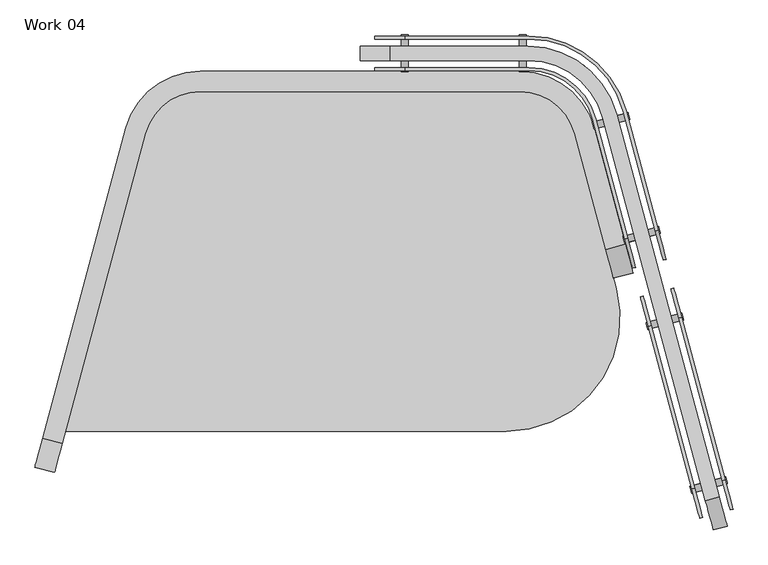
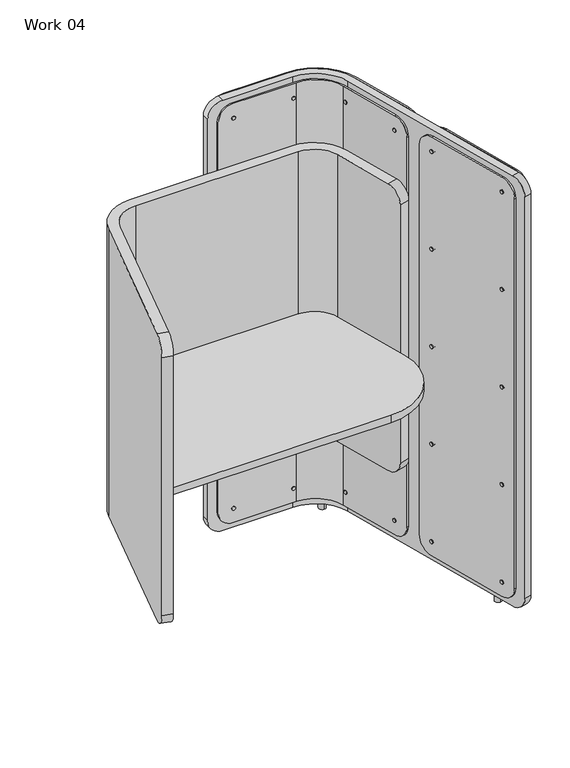
"""IFC4 building model written with IfcOpenShell, lengths in millimetres: furniture geometry, Work 04."""

from ifc_helpers import new_model, si_unit, point, frame, frame_2d, origin, origin_with_axes, place, context, project, spatial, polyline, circle_curve, trimmed, segment, composite_curve, outline, extrude, source, transform, mapped, element, save
from ifc_brep_helpers import plane_surface, cylinder_surface, revolved_surface, advanced_brep


def work_04_0aa1b830(model_context):
    return source(origin(), model_context, "Body", "SolidModel", [
        advanced_brep(
        [(885.3981602, -5.0, 1510.0), (1043.8099957, -126.5536766, 1510.0), (1097.461372, -326.7833389, 1510.0), (1102.2910012, -325.4892437, 1510.0), (1048.6396248, -125.2595814, 1510.0), (885.3981602, 0.0, 1510.0), (678.1051602, 0.0, 1510.0), (678.1051602, -5.0, 1510.0), (885.3981602, 0.0, 50.0), (1048.6396248, -125.2595814, 50.0), (1102.2910012, -325.4892437, 50.0), (1097.461372, -326.7833389, 50.0), (1043.8099957, -126.5536766, 50.0), (885.3981602, -5.0, 50.0), (678.1051602, -5.0, 50.0), (678.1051602, 0.0, 50.0), (627.3051602, 0.0, 100.8), (627.3051602, 0.0, 1459.2), (1115.4390086, -374.5582757, 1459.2), (1115.4390086, -374.5582757, 100.8), (1110.6093795, -375.8523709, 100.8), (1110.6093795, -375.8523709, 1459.2), (627.3051602, -5.0, 1459.2), (627.3051602, -5.0, 100.8)],
        [
            (0, 1, circle_curve(frame((885.3981602, -169.0, 1510.0), z_axis=(0.0, 0.0, -1.0), x_axis=(-1.0, 0.0, 0.0)), 164.0)),
            (1, 2),
            (2, 3),
            (3, 4),
            (4, 5, circle_curve(frame((885.3981602, -169.0, 1510.0), z_axis=(0.0, 0.0, 1.0), x_axis=(-1.0, 0.0, 0.0)), 169.0)),
            (5, 6),
            (6, 7),
            (7, 0),
            (8, 9, circle_curve(frame((885.3981602, -169.0, 50.0), z_axis=(0.0, 0.0, -1.0), x_axis=(-1.0, 0.0, 0.0)), 169.0)),
            (9, 10),
            (10, 11),
            (11, 12),
            (12, 13, circle_curve(frame((885.3981602, -169.0, 50.0), z_axis=(0.0, 0.0, 1.0), x_axis=(-1.0, 0.0, 0.0)), 164.0)),
            (13, 14),
            (14, 15),
            (15, 8),
            (5, 8),
            (15, 16, circle_curve(frame((678.1051602, 0.0, 100.8), z_axis=(0.0, 1.0, 0.0), x_axis=(-1.0, 0.0, 0.0)), 50.8)),
            (16, 17),
            (17, 6, circle_curve(frame((678.1051602, 0.0, 1459.2), z_axis=(0.0, 1.0, 0.0), x_axis=(-1.0, 0.0, 0.0)), 50.8)),
            (4, 9),
            (3, 18, circle_curve(frame((1102.2910012, -325.4892437, 1459.2), z_axis=(0.9659258262896977, 0.25881904510017184, 0.0), x_axis=(0.25881904510017184, -0.9659258262896977, 0.0)), 50.8)),
            (18, 19),
            (19, 10, circle_curve(frame((1102.2910012, -325.4892437, 100.8), z_axis=(0.9659258262896977, 0.25881904510017184, 0.0), x_axis=(0.25881904510017184, -0.9659258262896977, 0.0)), 50.8)),
            (1, 12),
            (11, 20, circle_curve(frame((1097.461372, -326.7833389, 100.8), z_axis=(-0.9659258262896977, -0.25881904510017184, 0.0), x_axis=(0.25881904510017184, -0.9659258262896977, 0.0)), 50.8)),
            (20, 21),
            (21, 2, circle_curve(frame((1097.461372, -326.7833389, 1459.2), z_axis=(-0.9659258262896977, -0.25881904510017184, 0.0), x_axis=(0.25881904510017184, -0.9659258262896977, 0.0)), 50.8)),
            (0, 13),
            (7, 22, circle_curve(frame((678.1051602, -5.0, 1459.2), z_axis=(0.0, -1.0, 0.0), x_axis=(-1.0, 0.0, 0.0)), 50.8)),
            (22, 23),
            (23, 14, circle_curve(frame((678.1051602, -5.0, 100.8), z_axis=(0.0, -1.0, 0.0), x_axis=(-1.0, 0.0, 0.0)), 50.8)),
            (23, 16),
            (22, 17),
            (19, 20),
            (18, 21),
        ],
        [
            plane_surface(frame((885.3981602, -5.0, 1510.0), z_axis=(0.0, 0.0, 1.0), x_axis=(1.0, 0.0, 0.0))),
            plane_surface(frame((885.3981602, -5.0, 50.0), z_axis=(0.0, 0.0, -1.0), x_axis=(-1.0, 0.0, 0.0))),
            plane_surface(frame((885.3981602, 0.0, 1510.0), z_axis=(0.0, 1.0, 0.0), x_axis=(0.0, 0.0, -1.0))),
            cylinder_surface(frame((885.3981602, -169.0, 50.0), z_axis=(0.0, 0.0, 1.0), x_axis=(-1.0, 0.0, 0.0)), 169.0),
            plane_surface(frame((1095.9240526, -301.7274684, 1510.0), z_axis=(0.9659258262890724, 0.2588190451025053, 0.0), x_axis=(0.0, 0.0, -1.0))),
            plane_surface(frame((1043.8099957, -126.5536766, 1510.0), z_axis=(-0.965925826289073, -0.2588190451025036, 0.0), x_axis=(0.0, 0.0, -1.0))),
            revolved_surface(polyline([(721.3981602, -169.0, 50.0), (721.3981602, -169.0, 1510.0)]), (885.3981602, -169.0, 50.0), (0.0, 0.0, -1.0)),
            plane_surface(frame((702.7051602, -5.0, 1510.0), z_axis=(0.0, -1.0, 0.0), x_axis=(0.0, 0.0, -1.0))),
            cylinder_surface(frame((678.1051602, 0.0, 100.8), z_axis=(0.0, -1.0, 0.0), x_axis=(-1.0, 0.0, 0.0)), 50.8),
            plane_surface(frame((627.3051602, -5.0, 1459.2), z_axis=(-1.0, 0.0, 0.0), x_axis=(0.0, 1.0, 0.0))),
            cylinder_surface(frame((678.1051602, 0.0, 1459.2), z_axis=(0.0, -1.0, 0.0), x_axis=(-1.0, 0.0, 0.0)), 50.8),
            cylinder_surface(frame((1102.2910012, -325.4892437, 100.8), z_axis=(-0.9659258262896977, -0.25881904510017184, 0.0), x_axis=(0.25881904510017184, -0.9659258262896977, 0.0)), 50.8),
            plane_surface(frame((1110.6093795, -375.8523709, 100.8), z_axis=(0.25881904510016834, -0.9659258262896986, 0.0), x_axis=(0.9659258262896986, 0.25881904510016834, 0.0))),
            cylinder_surface(frame((1102.2910012, -325.4892437, 1459.2), z_axis=(-0.9659258262896977, -0.25881904510017184, 0.0), x_axis=(0.25881904510017184, -0.9659258262896977, 0.0)), 50.8),
        ],
        [
            (0, [[1, 2, 3, 4, 5, 6, 7, 8]]),
            (1, [[9, 10, 11, 12, 13, 14, 15, 16]]),
            (2, [[17, -16, 18, 19, 20, -6]]),
            (3, [[-5, 21, -9, -17]]),
            (4, [[-21, -4, 22, 23, 24, -10]]),
            (5, [[25, -12, 26, 27, 28, -2]]),
            (6, [[-1, 29, -13, -25]]),
            (7, [[-29, -8, 30, 31, 32, -14]]),
            (8, [[-32, 33, -18, -15]]),
            (9, [[-31, 34, -19, -33]]),
            (10, [[-30, -7, -20, -34]]),
            (11, [[-26, -11, -24, 35]]),
            (12, [[-27, -35, -23, 36]]),
            (13, [[-28, -36, -22, -3]]),
        ],
    ),
        advanced_brep(
        [(885.3981602, -58.0, 1510.0), (992.6159269, -140.271086, 1510.0), (1046.2673032, -340.5007483, 1510.0), (1051.0969324, -339.2066531, 1510.0), (997.445556, -138.9769908, 1510.0), (885.3981602, -53.0, 1510.0), (678.1051602, -53.0, 1510.0), (678.1051602, -58.0, 1510.0), (885.3981602, -53.0, 50.0), (997.445556, -138.9769908, 50.0), (1051.0969324, -339.2066531, 50.0), (1046.2673032, -340.5007483, 50.0), (992.6159269, -140.271086, 50.0), (885.3981602, -58.0, 50.0), (678.1051602, -58.0, 50.0), (678.1051602, -53.0, 50.0), (627.3051602, -53.0, 100.8), (627.3051602, -53.0, 1459.2), (1064.2449399, -388.2756851, 1459.2), (1064.2449399, -388.2756851, 100.8), (1059.4153107, -389.5697803, 100.8), (1059.4153107, -389.5697803, 1459.2), (627.3051602, -58.0, 1459.2), (627.3051602, -58.0, 100.8)],
        [
            (0, 1, circle_curve(frame((885.3981602, -169.0, 1510.0), z_axis=(0.0, 0.0, -1.0), x_axis=(-1.0, 0.0, 0.0)), 111.0)),
            (1, 2),
            (2, 3),
            (3, 4),
            (4, 5, circle_curve(frame((885.3981602, -169.0, 1510.0), z_axis=(0.0, 0.0, 1.0), x_axis=(-1.0, 0.0, 0.0)), 116.0)),
            (5, 6),
            (6, 7),
            (7, 0),
            (8, 9, circle_curve(frame((885.3981602, -169.0, 50.0), z_axis=(0.0, 0.0, -1.0), x_axis=(-1.0, 0.0, 0.0)), 116.0)),
            (9, 10),
            (10, 11),
            (11, 12),
            (12, 13, circle_curve(frame((885.3981602, -169.0, 50.0), z_axis=(0.0, 0.0, 1.0), x_axis=(-1.0, 0.0, 0.0)), 111.0)),
            (13, 14),
            (14, 15),
            (15, 8),
            (5, 8),
            (15, 16, circle_curve(frame((678.1051602, -53.0, 100.8), z_axis=(0.0, 1.0, 0.0), x_axis=(-1.0, 0.0, 0.0)), 50.8)),
            (16, 17),
            (17, 6, circle_curve(frame((678.1051602, -53.0, 1459.2), z_axis=(0.0, 1.0, 0.0), x_axis=(-1.0, 0.0, 0.0)), 50.8)),
            (4, 9),
            (3, 18, circle_curve(frame((1051.0969324, -339.2066531, 1459.2), z_axis=(0.9659258262896977, 0.25881904510017184, 0.0), x_axis=(0.25881904510017184, -0.9659258262896977, 0.0)), 50.8)),
            (18, 19),
            (19, 10, circle_curve(frame((1051.0969324, -339.2066531, 100.8), z_axis=(0.9659258262896977, 0.25881904510017184, 0.0), x_axis=(0.25881904510017184, -0.9659258262896977, 0.0)), 50.8)),
            (1, 12),
            (11, 20, circle_curve(frame((1046.2673032, -340.5007483, 100.8), z_axis=(-0.9659258262896977, -0.25881904510017184, 0.0), x_axis=(0.25881904510017184, -0.9659258262896977, 0.0)), 50.8)),
            (20, 21),
            (21, 2, circle_curve(frame((1046.2673032, -340.5007483, 1459.2), z_axis=(-0.9659258262896977, -0.25881904510017184, 0.0), x_axis=(0.25881904510017184, -0.9659258262896977, 0.0)), 50.8)),
            (0, 13),
            (7, 22, circle_curve(frame((678.1051602, -58.0, 1459.2), z_axis=(0.0, -1.0, 0.0), x_axis=(-1.0, 0.0, 0.0)), 50.8)),
            (22, 23),
            (23, 14, circle_curve(frame((678.1051602, -58.0, 100.8), z_axis=(0.0, -1.0, 0.0), x_axis=(-1.0, 0.0, 0.0)), 50.8)),
            (23, 16),
            (22, 17),
            (19, 20),
            (18, 21),
        ],
        [
            plane_surface(frame((885.3981602, -5.0, 1510.0), z_axis=(0.0, 0.0, 1.0), x_axis=(1.0, 0.0, 0.0))),
            plane_surface(frame((885.3981602, -5.0, 50.0), z_axis=(0.0, 0.0, -1.0), x_axis=(-1.0, 0.0, 0.0))),
            plane_surface(frame((885.3981602, -53.0, 1510.0), z_axis=(0.0, 1.0, 0.0), x_axis=(0.0, 0.0, -1.0))),
            cylinder_surface(frame((885.3981602, -169.0, 0.0), z_axis=(0.0, 0.0, 1.0), x_axis=(-1.0, 0.0, 0.0)), 116.0),
            plane_surface(frame((1044.7299839, -315.4448778, 1510.0), z_axis=(0.965925826289071, 0.25881904510251086, 0.0), x_axis=(0.0, 0.0, -1.0))),
            plane_surface(frame((992.6159269, -140.271086, 1510.0), z_axis=(-0.9659258262890708, -0.2588190451025118, 0.0), x_axis=(0.0, 0.0, -1.0))),
            revolved_surface(polyline([(774.3981602, -169.0, 50.0), (774.3981602, -169.0, 1510.0)]), (885.3981602, -169.0, 0.0), (0.0, 0.0, -1.0)),
            plane_surface(frame((702.7051602, -58.0, 1510.0), z_axis=(0.0, -1.0, 0.0), x_axis=(0.0, 0.0, -1.0))),
            cylinder_surface(frame((678.1051602, -53.0, 100.8), z_axis=(0.0, -1.0, 0.0), x_axis=(-1.0, 0.0, 0.0)), 50.8),
            plane_surface(frame((627.3051602, -58.0, 1459.2), z_axis=(-1.0, 0.0, 0.0), x_axis=(0.0, 1.0, 0.0))),
            cylinder_surface(frame((678.1051602, -53.0, 1459.2), z_axis=(0.0, -1.0, 0.0), x_axis=(-1.0, 0.0, 0.0)), 50.8),
            cylinder_surface(frame((1051.0969324, -339.2066531, 100.8), z_axis=(-0.9659258262896977, -0.25881904510017184, 0.0), x_axis=(0.25881904510017184, -0.9659258262896977, 0.0)), 50.8),
            plane_surface(frame((1059.4153107, -389.5697803, 100.8), z_axis=(0.25881904510017206, -0.9659258262896977, 0.0), x_axis=(0.9659258262896977, 0.25881904510017206, 0.0))),
            cylinder_surface(frame((1051.0969324, -339.2066531, 1459.2), z_axis=(-0.9659258262896977, -0.25881904510017184, 0.0), x_axis=(0.25881904510017184, -0.9659258262896977, 0.0)), 50.8),
        ],
        [
            (0, [[1, 2, 3, 4, 5, 6, 7, 8]]),
            (1, [[9, 10, 11, 12, 13, 14, 15, 16]]),
            (2, [[17, -16, 18, 19, 20, -6]]),
            (3, [[-5, 21, -9, -17]]),
            (4, [[-4, 22, 23, 24, -10, -21]]),
            (5, [[-2, 25, -12, 26, 27, 28]]),
            (6, [[-1, 29, -13, -25]]),
            (7, [[-29, -8, 30, 31, 32, -14]]),
            (8, [[-32, 33, -18, -15]]),
            (9, [[-31, 34, -19, -33]]),
            (10, [[-30, -7, -20, -34]]),
            (11, [[-26, -11, -24, 35]]),
            (12, [[-27, -35, -23, 36]]),
            (13, [[-28, -36, -22, -3]]),
        ],
    ),
        advanced_brep(
        [(883.8635062, -41.0, 1520.0), (1009.4338636, -137.3535241, 1520.0), (1181.5530181, -779.7109536, 1520.0), (1204.7352379, -773.4992965, 1520.0), (1032.6160835, -131.1418671, 1520.0), (883.8635062, -17.0, 1520.0), (653.1051602, -17.0, 1520.0), (653.1051602, -41.0, 1520.0), (883.8635062, -17.0, 20.0), (1032.6160835, -131.1418671, 20.0), (1204.7352379, -773.4992965, 20.0), (1181.5530181, -779.7109536, 20.0), (1009.4338636, -137.3535241, 20.0), (883.8635062, -41.0, 20.0), (653.1051602, -41.0, 20.0), (653.1051602, -17.0, 20.0), (602.3051602, -17.0, 70.8), (602.3051602, -17.0, 510.0), (627.3051602, -17.0, 535.0), (627.3051602, -17.0, 608.98), (602.3051602, -17.0, 633.98), (602.3051602, -17.0, 1469.2), (1217.8832454, -822.5683285, 1469.2), (1217.8832454, -822.5683285, 70.8), (1194.7010256, -828.7799856, 70.8), (1194.7010256, -828.7799856, 1469.2), (602.3051602, -41.0, 1469.2), (602.3051602, -41.0, 633.98), (627.3051602, -41.0, 608.98), (627.3051602, -41.0, 535.0), (602.3051602, -41.0, 510.0), (602.3051602, -41.0, 70.8)],
        [
            (0, 1, circle_curve(frame((883.8635062, -171.0, 1520.0), z_axis=(0.0, 0.0, -1.0), x_axis=(-1.0, 0.0, 0.0)), 130.0)),
            (1, 2),
            (2, 3),
            (3, 4),
            (4, 5, circle_curve(frame((883.8635062, -171.0, 1520.0), z_axis=(0.0, 0.0, 1.0), x_axis=(-1.0, 0.0, 0.0)), 154.0)),
            (5, 6),
            (6, 7),
            (7, 0),
            (8, 9, circle_curve(frame((883.8635062, -171.0, 20.0), z_axis=(0.0, 0.0, -1.0), x_axis=(-1.0, 0.0, 0.0)), 154.0)),
            (9, 10),
            (10, 11),
            (11, 12),
            (12, 13, circle_curve(frame((883.8635062, -171.0, 20.0), z_axis=(0.0, 0.0, 1.0), x_axis=(-1.0, 0.0, 0.0)), 130.0)),
            (13, 14),
            (14, 15),
            (15, 8),
            (5, 8),
            (15, 16, circle_curve(frame((653.1051602, -17.0, 70.8), z_axis=(0.0, 1.0, 0.0), x_axis=(-1.0, 0.0, 0.0)), 50.8)),
            (16, 17),
            (17, 18),
            (18, 19),
            (19, 20),
            (20, 21),
            (21, 6, circle_curve(frame((653.1051602, -17.0, 1469.2), z_axis=(0.0, 1.0, 0.0), x_axis=(-1.0, 0.0, 0.0)), 50.8)),
            (4, 9),
            (3, 22, circle_curve(frame((1204.7352379, -773.4992965, 1469.2), z_axis=(0.9659258262896977, 0.25881904510017184, 0.0), x_axis=(0.25881904510017184, -0.9659258262896977, 0.0)), 50.8)),
            (22, 23),
            (23, 10, circle_curve(frame((1204.7352379, -773.4992965, 70.8), z_axis=(0.9659258262896977, 0.25881904510017184, 0.0), x_axis=(0.25881904510017184, -0.9659258262896977, 0.0)), 50.8)),
            (1, 12),
            (11, 24, circle_curve(frame((1181.5530181, -779.7109536, 70.8), z_axis=(-0.9659258262896977, -0.25881904510017184, 0.0), x_axis=(0.25881904510017184, -0.9659258262896977, 0.0)), 50.8)),
            (24, 25),
            (25, 2, circle_curve(frame((1181.5530181, -779.7109536, 1469.2), z_axis=(-0.9659258262896977, -0.25881904510017184, 0.0), x_axis=(0.25881904510017184, -0.9659258262896977, 0.0)), 50.8)),
            (0, 13),
            (7, 26, circle_curve(frame((653.1051602, -41.0, 1469.2), z_axis=(0.0, -1.0, 0.0), x_axis=(-1.0, 0.0, 0.0)), 50.8)),
            (26, 27),
            (27, 28),
            (28, 29),
            (29, 30),
            (30, 31),
            (31, 14, circle_curve(frame((653.1051602, -41.0, 70.8), z_axis=(0.0, -1.0, 0.0), x_axis=(-1.0, 0.0, 0.0)), 50.8)),
            (31, 16),
            (30, 17),
            (29, 18),
            (28, 19),
            (27, 20),
            (26, 21),
            (23, 24),
            (22, 25),
        ],
        [
            plane_surface(frame((883.8635062, -41.0, 1520.0), z_axis=(0.0, 0.0, 1.0), x_axis=(1.0, 0.0, 0.0))),
            plane_surface(frame((883.8635062, -41.0, 20.0), z_axis=(0.0, 0.0, -1.0), x_axis=(-1.0, 0.0, 0.0))),
            plane_surface(frame((883.8635062, -17.0, 1520.0), z_axis=(0.0, 1.0, 0.0), x_axis=(0.0, 0.0, -1.0))),
            cylinder_surface(frame((883.8635062, -171.0, 20.0), z_axis=(0.0, 0.0, 1.0), x_axis=(-1.0, 0.0, 0.0)), 154.0),
            plane_surface(frame((1198.3682894, -749.7375212, 1520.0), z_axis=(0.9659258262890715, 0.2588190451025091, 0.0), x_axis=(0.0, 0.0, -1.0))),
            plane_surface(frame((1009.4338636, -137.3535241, 1520.0), z_axis=(-0.9659258262890698, -0.2588190451025155, 0.0), x_axis=(0.0, 0.0, -1.0))),
            revolved_surface(polyline([(753.8635062, -171.0, 20.0), (753.8635062, -171.0, 1520.0)]), (883.8635062, -171.0, 20.0), (0.0, 0.0, -1.0)),
            plane_surface(frame((677.7051602, -41.0, 1520.0), z_axis=(0.0, -1.0, 0.0), x_axis=(0.0, 0.0, -1.0))),
            cylinder_surface(frame((653.1051602, -17.0, 70.8), z_axis=(0.0, -1.0, 0.0), x_axis=(-1.0, 0.0, 0.0)), 50.8),
            plane_surface(frame((602.3051602, -41.0, 510.0), z_axis=(-1.0, 0.0, 0.0), x_axis=(0.0, 1.0, 0.0))),
            plane_surface(frame((627.3051602, -41.0, 535.0), z_axis=(-0.7071067811865485, 0.0, 0.7071067811865466), x_axis=(0.0, 1.0, 0.0))),
            plane_surface(frame((627.3051602, -41.0, 608.98), z_axis=(-1.0, 0.0, 0.0), x_axis=(0.0, 1.0, 0.0))),
            plane_surface(frame((602.3051602, -41.0, 633.98), z_axis=(-0.7071067811865456, 0.0, -0.7071067811865495), x_axis=(0.0, 1.0, 0.0))),
            plane_surface(frame((602.3051602, -41.0, 1469.2), z_axis=(-1.0, 0.0, 0.0), x_axis=(0.0, 1.0, 0.0))),
            cylinder_surface(frame((653.1051602, -17.0, 1469.2), z_axis=(0.0, -1.0, 0.0), x_axis=(-1.0, 0.0, 0.0)), 50.8),
            cylinder_surface(frame((1204.7352379, -773.4992965, 70.8), z_axis=(-0.9659258262896977, -0.25881904510017184, 0.0), x_axis=(0.25881904510017184, -0.9659258262896977, 0.0)), 50.8),
            plane_surface(frame((1194.7010256, -828.7799856, 70.8), z_axis=(0.25881904510016945, -0.9659258262896984, 0.0), x_axis=(0.9659258262896984, 0.25881904510016945, 0.0))),
            cylinder_surface(frame((1204.7352379, -773.4992965, 1469.2), z_axis=(-0.9659258262896977, -0.25881904510017184, 0.0), x_axis=(0.25881904510017184, -0.9659258262896977, 0.0)), 50.8),
        ],
        [
            (0, [[1, 2, 3, 4, 5, 6, 7, 8]]),
            (1, [[9, 10, 11, 12, 13, 14, 15, 16]]),
            (2, [[17, -16, 18, 19, 20, 21, 22, 23, 24, -6]]),
            (3, [[-5, 25, -9, -17]]),
            (4, [[-4, 26, 27, 28, -10, -25]]),
            (5, [[-2, 29, -12, 30, 31, 32]]),
            (6, [[-1, 33, -13, -29]]),
            (7, [[-33, -8, 34, 35, 36, 37, 38, 39, 40, -14]]),
            (8, [[-40, 41, -18, -15]]),
            (9, [[-39, 42, -19, -41]]),
            (10, [[-38, 43, -20, -42]]),
            (11, [[-37, 44, -21, -43]]),
            (12, [[-36, 45, -22, -44]]),
            (13, [[-35, 46, -23, -45]]),
            (14, [[-34, -7, -24, -46]]),
            (15, [[-30, -11, -28, 47]]),
            (16, [[-31, -47, -27, 48]]),
            (17, [[-32, -48, -26, -3]]),
        ],
    ),
        extrude(outline(composite_curve([segment(trimmed(circle_curve(frame_2d((0.0, -6.0)), 6.0), [point((0.0, -12.0))], [point((0.0, 0.0))], False, "CARTESIAN"), True, "CONTINUOUS"), segment(trimmed(circle_curve(frame_2d((0.0, -6.0)), 6.0), [point((0.0, 0.0))], [point((0.0, -12.0))], False, "CARTESIAN"), True, "CONTINUOUS")], self_intersect=False)), frame((1158.4899208, -767.0486654, 1460.0), z_axis=(0.9659258262896977, 0.25881904510017184, 0.0), x_axis=(0.0, 0.0, 1.0)), (0.0, 0.0, 1.0), 62.0),
        extrude(outline(composite_curve([segment(trimmed(circle_curve(frame_2d((0.0, -290.259)), 6.0), [point((0.0, -296.259))], [point((0.0, -284.2589999))], False, "CARTESIAN"), True, "CONTINUOUS"), segment(trimmed(circle_curve(frame_2d((0.0, -290.259)), 6.0), [point((0.0, -284.2589999))], [point((0.0, -296.259))], False, "CARTESIAN"), True, "CONTINUOUS")], self_intersect=False)), frame((1158.4899208, -767.0486654, 1460.0), z_axis=(0.9659258262896977, 0.25881904510017184, 0.0), x_axis=(0.0, 0.0, 1.0)), (0.0, 0.0, 1.0), 62.0),
        extrude(outline(composite_curve([segment(trimmed(circle_curve(frame_2d((-340.0, -6.0)), 6.0), [point((-340.0, -12.0))], [point((-340.0, 0.0))], False, "CARTESIAN"), True, "CONTINUOUS"), segment(trimmed(circle_curve(frame_2d((-340.0, -6.0)), 6.0), [point((-340.0, 0.0))], [point((-340.0, -12.0))], False, "CARTESIAN"), True, "CONTINUOUS")], self_intersect=False)), frame((1158.4899208, -767.0486654, 1460.0), z_axis=(0.9659258262896977, 0.25881904510017184, 0.0), x_axis=(0.0, 0.0, 1.0)), (0.0, 0.0, 1.0), 62.0),
        extrude(outline(composite_curve([segment(trimmed(circle_curve(frame_2d((-340.0, -290.259)), 6.0), [point((-340.0, -296.259))], [point((-340.0, -284.2589999))], False, "CARTESIAN"), True, "CONTINUOUS"), segment(trimmed(circle_curve(frame_2d((-340.0, -290.259)), 6.0), [point((-340.0, -284.2589999))], [point((-340.0, -296.259))], False, "CARTESIAN"), True, "CONTINUOUS")], self_intersect=False)), frame((1158.4899208, -767.0486654, 1460.0), z_axis=(0.9659258262896977, 0.25881904510017184, 0.0), x_axis=(0.0, 0.0, 1.0)), (0.0, 0.0, 1.0), 62.0),
        extrude(outline(composite_curve([segment(trimmed(circle_curve(frame_2d((-680.0, -6.0)), 6.0), [point((-680.0, -12.0))], [point((-680.0, 0.0))], False, "CARTESIAN"), True, "CONTINUOUS"), segment(trimmed(circle_curve(frame_2d((-680.0, -6.0)), 6.0), [point((-680.0, 0.0))], [point((-680.0, -12.0))], False, "CARTESIAN"), True, "CONTINUOUS")], self_intersect=False)), frame((1158.4899208, -767.0486654, 1460.0), z_axis=(0.9659258262896977, 0.25881904510017184, 0.0), x_axis=(0.0, 0.0, 1.0)), (0.0, 0.0, 1.0), 62.0),
        extrude(outline(composite_curve([segment(trimmed(circle_curve(frame_2d((-680.0, -290.259)), 6.0), [point((-680.0, -296.259))], [point((-680.0, -284.2589999))], False, "CARTESIAN"), True, "CONTINUOUS"), segment(trimmed(circle_curve(frame_2d((-680.0, -290.259)), 6.0), [point((-680.0, -284.2589999))], [point((-680.0, -296.259))], False, "CARTESIAN"), True, "CONTINUOUS")], self_intersect=False)), frame((1158.4899208, -767.0486654, 1460.0), z_axis=(0.9659258262896977, 0.25881904510017184, 0.0), x_axis=(0.0, 0.0, 1.0)), (0.0, 0.0, 1.0), 62.0),
        extrude(outline(composite_curve([segment(trimmed(circle_curve(frame_2d((-1020.0, -6.0)), 6.0), [point((-1020.0, -12.0))], [point((-1020.0, 0.0))], False, "CARTESIAN"), True, "CONTINUOUS"), segment(trimmed(circle_curve(frame_2d((-1020.0, -6.0)), 6.0), [point((-1020.0, 0.0))], [point((-1020.0, -12.0))], False, "CARTESIAN"), True, "CONTINUOUS")], self_intersect=False)), frame((1158.4899208, -767.0486654, 1460.0), z_axis=(0.9659258262896977, 0.25881904510017184, 0.0), x_axis=(0.0, 0.0, 1.0)), (0.0, 0.0, 1.0), 62.0),
        extrude(outline(composite_curve([segment(trimmed(circle_curve(frame_2d((-1020.0, -290.259)), 6.0), [point((-1020.0, -296.259))], [point((-1020.0, -284.2589999))], False, "CARTESIAN"), True, "CONTINUOUS"), segment(trimmed(circle_curve(frame_2d((-1020.0, -290.259)), 6.0), [point((-1020.0, -284.2589999))], [point((-1020.0, -296.259))], False, "CARTESIAN"), True, "CONTINUOUS")], self_intersect=False)), frame((1158.4899208, -767.0486654, 1460.0), z_axis=(0.9659258262896977, 0.25881904510017184, 0.0), x_axis=(0.0, 0.0, 1.0)), (0.0, 0.0, 1.0), 62.0),
        extrude(outline(composite_curve([segment(trimmed(circle_curve(frame_2d((-1360.0, -6.0)), 6.0), [point((-1360.0, -12.0))], [point((-1360.0, 0.0))], False, "CARTESIAN"), True, "CONTINUOUS"), segment(trimmed(circle_curve(frame_2d((-1360.0, -6.0)), 6.0), [point((-1360.0, 0.0))], [point((-1360.0, -12.0))], False, "CARTESIAN"), True, "CONTINUOUS")], self_intersect=False)), frame((1158.4899208, -767.0486654, 1460.0), z_axis=(0.9659258262896977, 0.25881904510017184, 0.0), x_axis=(0.0, 0.0, 1.0)), (0.0, 0.0, 1.0), 62.0),
        extrude(outline(composite_curve([segment(trimmed(circle_curve(frame_2d((-1360.0, -290.259)), 6.0), [point((-1360.0, -296.259))], [point((-1360.0, -284.2589999))], False, "CARTESIAN"), True, "CONTINUOUS"), segment(trimmed(circle_curve(frame_2d((-1360.0, -290.259)), 6.0), [point((-1360.0, -284.2589999))], [point((-1360.0, -296.259))], False, "CARTESIAN"), True, "CONTINUOUS")], self_intersect=False)), frame((1158.4899208, -767.0486654, 1460.0), z_axis=(0.9659258262896977, 0.25881904510017184, 0.0), x_axis=(0.0, 0.0, 1.0)), (0.0, 0.0, 1.0), 62.0),
        extrude(outline(composite_curve([segment(trimmed(circle_curve(frame_2d((1175.1545514, -709.7630579)), 11.4859648), [point((1175.1545514, -698.2770931))], [point((1175.1545514, -721.2490226))], False, "CARTESIAN"), True, "CONTINUOUS"), segment(trimmed(circle_curve(frame_2d((1175.1545514, -709.7630579)), 11.4859648), [point((1175.1545514, -721.2490226))], [point((1175.1545514, -698.2770931))], False, "CARTESIAN"), True, "CONTINUOUS")], self_intersect=False)), origin_with_axes(), (0.0, 0.0, 1.0), 20.0),
        extrude(outline(composite_curve([segment(trimmed(circle_curve(frame_2d((970.6247603, -57.9305324)), 11.5), [point((970.6247603, -46.4305324))], [point((970.6247603, -69.4305324))], False, "CARTESIAN"), True, "CONTINUOUS"), segment(trimmed(circle_curve(frame_2d((970.6247603, -57.9305324)), 11.5), [point((970.6247603, -69.4305324))], [point((970.6247603, -46.4305324))], False, "CARTESIAN"), True, "CONTINUOUS")], self_intersect=False)), origin_with_axes(), (0.0, 0.0, 1.0), 20.0),
        extrude(outline(composite_curve([segment(polyline([(-50.8, -50.8), (-50.8, 231.8589999)]), True, "CONTINUOUS"), segment(trimmed(circle_curve(frame_2d((0.0, 231.8589999)), 50.8), [point((-50.8, 231.8589999))], [point((0.0, 282.659))], False, "CARTESIAN"), True, "CONTINUOUS"), segment(polyline([(0.0, 282.659), (1358.4, 282.659)]), True, "CONTINUOUS"), segment(trimmed(circle_curve(frame_2d((1358.4, 231.8589999)), 50.8), [point((1358.4, 282.659))], [point((1409.2, 231.8589999))], False, "CARTESIAN"), True, "CONTINUOUS"), segment(polyline([(1409.2, 231.8589999), (1409.2, -50.8)]), True, "CONTINUOUS"), segment(trimmed(circle_curve(frame_2d((1358.4, -50.8)), 50.8), [point((1409.2, -50.8))], [point((1358.4, -101.6000001))], False, "CARTESIAN"), True, "CONTINUOUS"), segment(polyline([(1358.4, -101.6000001), (0.0, -101.6000001)]), True, "CONTINUOUS"), segment(trimmed(circle_curve(frame_2d((0.0, -50.8)), 50.8), [point((0.0, -101.6000001))], [point((-50.8, -50.8))], False, "CARTESIAN"), True, "CONTINUOUS")], self_intersect=False)), frame((1145.5137954, -710.8936997, 1459.2), z_axis=(0.9659258262896963, 0.25881904510017745, 0.0), x_axis=(0.0, 0.0, -1.0)), (0.0, 0.0, 1.0), 5.0),
        extrude(outline(composite_curve([segment(polyline([(-50.8, -50.8), (-50.8, 231.8589999)]), True, "CONTINUOUS"), segment(trimmed(circle_curve(frame_2d((0.0, 231.8589999)), 50.8), [point((-50.8, 231.8589999))], [point((0.0, 282.659))], False, "CARTESIAN"), True, "CONTINUOUS"), segment(polyline([(0.0, 282.659), (1358.4, 282.659)]), True, "CONTINUOUS"), segment(trimmed(circle_curve(frame_2d((1358.4, 231.8589999)), 50.8), [point((1358.4, 282.659))], [point((1409.2, 231.8589999))], False, "CARTESIAN"), True, "CONTINUOUS"), segment(polyline([(1409.2, 231.8589999), (1409.2, -50.8)]), True, "CONTINUOUS"), segment(trimmed(circle_curve(frame_2d((1358.4, -50.8)), 50.8), [point((1409.2, -50.8))], [point((1358.4, -101.6000001))], False, "CARTESIAN"), True, "CONTINUOUS"), segment(polyline([(1358.4, -101.6000001), (0.0, -101.6000001)]), True, "CONTINUOUS"), segment(trimmed(circle_curve(frame_2d((0.0, -50.8)), 50.8), [point((0.0, -101.6000001))], [point((-50.8, -50.8))], False, "CARTESIAN"), True, "CONTINUOUS")], self_intersect=False)), frame((1196.7078642, -697.1762903, 1459.2), z_axis=(0.9659258262896963, 0.25881904510017745, 0.0), x_axis=(0.0, 0.0, -1.0)), (0.0, 0.0, 1.0), 5.0),
        extrude(outline(composite_curve([segment(trimmed(circle_curve(frame_2d((0.0, -6.0)), 6.0), [point((0.0, -12.0))], [point((0.0, 0.0))], False, "CARTESIAN"), True, "CONTINUOUS"), segment(trimmed(circle_curve(frame_2d((0.0, -6.0)), 6.0), [point((0.0, 0.0))], [point((0.0, -12.0))], False, "CARTESIAN"), True, "CONTINUOUS")], self_intersect=False)), frame((869.3981602, -60.0, 1460.0), z_axis=(2.432859469436721e-12, 1.0, 0.0), x_axis=(0.0, 0.0, -1.0)), (0.0, 0.0, 1.0), 62.0),
        extrude(outline(composite_curve([segment(trimmed(circle_curve(frame_2d((0.0, 192.093)), 6.0), [point((0.0, 186.093))], [point((0.0, 198.093))], False, "CARTESIAN"), True, "CONTINUOUS"), segment(trimmed(circle_curve(frame_2d((0.0, 192.093)), 6.0), [point((0.0, 198.093))], [point((0.0, 186.093))], False, "CARTESIAN"), True, "CONTINUOUS")], self_intersect=False)), frame((869.3981602, -60.0, 1460.0), z_axis=(2.432859469436721e-12, 1.0, 0.0), x_axis=(0.0, 0.0, -1.0)), (0.0, 0.0, 1.0), 62.0),
        extrude(outline(composite_curve([segment(trimmed(circle_curve(frame_2d((340.0, -6.0)), 6.0), [point((340.0, -12.0))], [point((340.0, 0.0))], False, "CARTESIAN"), True, "CONTINUOUS"), segment(trimmed(circle_curve(frame_2d((340.0, -6.0)), 6.0), [point((340.0, 0.0))], [point((340.0, -12.0))], False, "CARTESIAN"), True, "CONTINUOUS")], self_intersect=False)), frame((869.3981602, -60.0, 1460.0), z_axis=(2.432859469436721e-12, 1.0, 0.0), x_axis=(0.0, 0.0, -1.0)), (0.0, 0.0, 1.0), 62.0),
        extrude(outline(composite_curve([segment(trimmed(circle_curve(frame_2d((340.0, 192.093)), 6.0), [point((340.0, 186.093))], [point((340.0, 198.093))], False, "CARTESIAN"), True, "CONTINUOUS"), segment(trimmed(circle_curve(frame_2d((340.0, 192.093)), 6.0), [point((340.0, 198.093))], [point((340.0, 186.093))], False, "CARTESIAN"), True, "CONTINUOUS")], self_intersect=False)), frame((869.3981602, -60.0, 1460.0), z_axis=(2.432859469436721e-12, 1.0, 0.0), x_axis=(0.0, 0.0, -1.0)), (0.0, 0.0, 1.0), 62.0),
        extrude(outline(composite_curve([segment(trimmed(circle_curve(frame_2d((680.0, -6.0)), 6.0), [point((680.0, -12.0))], [point((680.0, 0.0))], False, "CARTESIAN"), True, "CONTINUOUS"), segment(trimmed(circle_curve(frame_2d((680.0, -6.0)), 6.0), [point((680.0, 0.0))], [point((680.0, -12.0))], False, "CARTESIAN"), True, "CONTINUOUS")], self_intersect=False)), frame((869.3981602, -60.0, 1460.0), z_axis=(2.432859469436721e-12, 1.0, 0.0), x_axis=(0.0, 0.0, -1.0)), (0.0, 0.0, 1.0), 62.0),
        extrude(outline(composite_curve([segment(trimmed(circle_curve(frame_2d((680.0, 192.093)), 6.0), [point((680.0, 186.093))], [point((680.0, 198.093))], False, "CARTESIAN"), True, "CONTINUOUS"), segment(trimmed(circle_curve(frame_2d((680.0, 192.093)), 6.0), [point((680.0, 198.093))], [point((680.0, 186.093))], False, "CARTESIAN"), True, "CONTINUOUS")], self_intersect=False)), frame((869.3981602, -60.0, 1460.0), z_axis=(2.432859469436721e-12, 1.0, 0.0), x_axis=(0.0, 0.0, -1.0)), (0.0, 0.0, 1.0), 62.0),
        extrude(outline(composite_curve([segment(trimmed(circle_curve(frame_2d((1020.0, -6.0)), 6.0), [point((1020.0, -12.0))], [point((1020.0, 0.0))], False, "CARTESIAN"), True, "CONTINUOUS"), segment(trimmed(circle_curve(frame_2d((1020.0, -6.0)), 6.0), [point((1020.0, 0.0))], [point((1020.0, -12.0))], False, "CARTESIAN"), True, "CONTINUOUS")], self_intersect=False)), frame((869.3981602, -60.0, 1460.0), z_axis=(2.432859469436721e-12, 1.0, 0.0), x_axis=(0.0, 0.0, -1.0)), (0.0, 0.0, 1.0), 62.0),
        extrude(outline(composite_curve([segment(trimmed(circle_curve(frame_2d((1020.0, 192.093)), 6.0), [point((1020.0, 186.093))], [point((1020.0, 198.093))], False, "CARTESIAN"), True, "CONTINUOUS"), segment(trimmed(circle_curve(frame_2d((1020.0, 192.093)), 6.0), [point((1020.0, 198.093))], [point((1020.0, 186.093))], False, "CARTESIAN"), True, "CONTINUOUS")], self_intersect=False)), frame((869.3981602, -60.0, 1460.0), z_axis=(2.432859469436721e-12, 1.0, 0.0), x_axis=(0.0, 0.0, -1.0)), (0.0, 0.0, 1.0), 62.0),
        extrude(outline(composite_curve([segment(trimmed(circle_curve(frame_2d((1360.0, -6.0)), 6.0), [point((1360.0, -12.0))], [point((1360.0, 0.0))], False, "CARTESIAN"), True, "CONTINUOUS"), segment(trimmed(circle_curve(frame_2d((1360.0, -6.0)), 6.0), [point((1360.0, 0.0))], [point((1360.0, -12.0))], False, "CARTESIAN"), True, "CONTINUOUS")], self_intersect=False)), frame((869.3981602, -60.0, 1460.0), z_axis=(2.432859469436721e-12, 1.0, 0.0), x_axis=(0.0, 0.0, -1.0)), (0.0, 0.0, 1.0), 62.0),
        extrude(outline(composite_curve([segment(trimmed(circle_curve(frame_2d((1360.0, 192.093)), 6.0), [point((1360.0, 186.093))], [point((1360.0, 198.093))], False, "CARTESIAN"), True, "CONTINUOUS"), segment(trimmed(circle_curve(frame_2d((1360.0, 192.093)), 6.0), [point((1360.0, 198.093))], [point((1360.0, 186.093))], False, "CARTESIAN"), True, "CONTINUOUS")], self_intersect=False)), frame((869.3981602, -60.0, 1460.0), z_axis=(2.432859469436721e-12, 1.0, 0.0), x_axis=(0.0, 0.0, -1.0)), (0.0, 0.0, 1.0), 62.0),
        extrude(outline(composite_curve([segment(trimmed(circle_curve(frame_2d((0.0, -6.0)), 6.0), [point((0.0, -12.0))], [point((0.0, 0.0))], False, "CARTESIAN"), True, "CONTINUOUS"), segment(trimmed(circle_curve(frame_2d((0.0, -6.0)), 6.0), [point((0.0, 0.0))], [point((0.0, -12.0))], False, "CARTESIAN"), True, "CONTINUOUS")], self_intersect=False)), frame((1046.0954211, -347.586682, 1460.0), z_axis=(0.9659258262896977, 0.25881904510017184, 0.0), x_axis=(0.0, 0.0, 1.0)), (0.0, 0.0, 1.0), 62.0),
        extrude(outline(composite_curve([segment(trimmed(circle_curve(frame_2d((0.0, -204.093)), 6.0), [point((0.0, -210.093))], [point((0.0, -198.093))], False, "CARTESIAN"), True, "CONTINUOUS"), segment(trimmed(circle_curve(frame_2d((0.0, -204.093)), 6.0), [point((0.0, -198.093))], [point((0.0, -210.093))], False, "CARTESIAN"), True, "CONTINUOUS")], self_intersect=False)), frame((1046.0954211, -347.586682, 1460.0), z_axis=(0.9659258262896977, 0.25881904510017184, 0.0), x_axis=(0.0, 0.0, 1.0)), (0.0, 0.0, 1.0), 62.0),
        extrude(outline(composite_curve([segment(trimmed(circle_curve(frame_2d((-340.0, -6.0)), 6.0), [point((-340.0, -12.0))], [point((-340.0, 0.0))], False, "CARTESIAN"), True, "CONTINUOUS"), segment(trimmed(circle_curve(frame_2d((-340.0, -6.0)), 6.0), [point((-340.0, 0.0))], [point((-340.0, -12.0))], False, "CARTESIAN"), True, "CONTINUOUS")], self_intersect=False)), frame((1046.0954211, -347.586682, 1460.0), z_axis=(0.9659258262896977, 0.25881904510017184, 0.0), x_axis=(0.0, 0.0, 1.0)), (0.0, 0.0, 1.0), 62.0),
        extrude(outline(composite_curve([segment(trimmed(circle_curve(frame_2d((-340.0, -204.093)), 6.0), [point((-340.0, -210.093))], [point((-340.0, -198.093))], False, "CARTESIAN"), True, "CONTINUOUS"), segment(trimmed(circle_curve(frame_2d((-340.0, -204.093)), 6.0), [point((-340.0, -198.093))], [point((-340.0, -210.093))], False, "CARTESIAN"), True, "CONTINUOUS")], self_intersect=False)), frame((1046.0954211, -347.586682, 1460.0), z_axis=(0.9659258262896977, 0.25881904510017184, 0.0), x_axis=(0.0, 0.0, 1.0)), (0.0, 0.0, 1.0), 62.0),
        extrude(outline(composite_curve([segment(trimmed(circle_curve(frame_2d((-680.0, -6.0)), 6.0), [point((-680.0, -12.0))], [point((-680.0, 0.0))], False, "CARTESIAN"), True, "CONTINUOUS"), segment(trimmed(circle_curve(frame_2d((-680.0, -6.0)), 6.0), [point((-680.0, 0.0))], [point((-680.0, -12.0))], False, "CARTESIAN"), True, "CONTINUOUS")], self_intersect=False)), frame((1046.0954211, -347.586682, 1460.0), z_axis=(0.9659258262896977, 0.25881904510017184, 0.0), x_axis=(0.0, 0.0, 1.0)), (0.0, 0.0, 1.0), 62.0),
        extrude(outline(composite_curve([segment(trimmed(circle_curve(frame_2d((-680.0, -204.093)), 6.0), [point((-680.0, -210.093))], [point((-680.0, -198.093))], False, "CARTESIAN"), True, "CONTINUOUS"), segment(trimmed(circle_curve(frame_2d((-680.0, -204.093)), 6.0), [point((-680.0, -198.093))], [point((-680.0, -210.093))], False, "CARTESIAN"), True, "CONTINUOUS")], self_intersect=False)), frame((1046.0954211, -347.586682, 1460.0), z_axis=(0.9659258262896977, 0.25881904510017184, 0.0), x_axis=(0.0, 0.0, 1.0)), (0.0, 0.0, 1.0), 62.0),
        extrude(outline(composite_curve([segment(trimmed(circle_curve(frame_2d((-1020.0, -6.0)), 6.0), [point((-1020.0, -12.0))], [point((-1020.0, 0.0))], False, "CARTESIAN"), True, "CONTINUOUS"), segment(trimmed(circle_curve(frame_2d((-1020.0, -6.0)), 6.0), [point((-1020.0, 0.0))], [point((-1020.0, -12.0))], False, "CARTESIAN"), True, "CONTINUOUS")], self_intersect=False)), frame((1046.0954211, -347.586682, 1460.0), z_axis=(0.9659258262896977, 0.25881904510017184, 0.0), x_axis=(0.0, 0.0, 1.0)), (0.0, 0.0, 1.0), 62.0),
        extrude(outline(composite_curve([segment(trimmed(circle_curve(frame_2d((-1020.0, -204.093)), 6.0), [point((-1020.0, -210.093))], [point((-1020.0, -198.093))], False, "CARTESIAN"), True, "CONTINUOUS"), segment(trimmed(circle_curve(frame_2d((-1020.0, -204.093)), 6.0), [point((-1020.0, -198.093))], [point((-1020.0, -210.093))], False, "CARTESIAN"), True, "CONTINUOUS")], self_intersect=False)), frame((1046.0954211, -347.586682, 1460.0), z_axis=(0.9659258262896977, 0.25881904510017184, 0.0), x_axis=(0.0, 0.0, 1.0)), (0.0, 0.0, 1.0), 62.0),
        extrude(outline(composite_curve([segment(trimmed(circle_curve(frame_2d((-1360.0, -6.0)), 6.0), [point((-1360.0, -12.0))], [point((-1360.0, 0.0))], False, "CARTESIAN"), True, "CONTINUOUS"), segment(trimmed(circle_curve(frame_2d((-1360.0, -6.0)), 6.0), [point((-1360.0, 0.0))], [point((-1360.0, -12.0))], False, "CARTESIAN"), True, "CONTINUOUS")], self_intersect=False)), frame((1046.0954211, -347.586682, 1460.0), z_axis=(0.9659258262896977, 0.25881904510017184, 0.0), x_axis=(0.0, 0.0, 1.0)), (0.0, 0.0, 1.0), 62.0),
        extrude(outline(composite_curve([segment(trimmed(circle_curve(frame_2d((-1360.0, -204.093)), 6.0), [point((-1360.0, -210.093))], [point((-1360.0, -198.093))], False, "CARTESIAN"), True, "CONTINUOUS"), segment(trimmed(circle_curve(frame_2d((-1360.0, -204.093)), 6.0), [point((-1360.0, -198.093))], [point((-1360.0, -210.093))], False, "CARTESIAN"), True, "CONTINUOUS")], self_intersect=False)), frame((1046.0954211, -347.586682, 1460.0), z_axis=(0.9659258262896977, 0.25881904510017184, 0.0), x_axis=(0.0, 0.0, 1.0)), (0.0, 0.0, 1.0), 62.0),
        extrude(outline(composite_curve([segment(polyline([(847.7840541, -663.0), (108.5618328, -663.0), (242.3763331, -163.597486)]), True, "CONTINUOUS"), segment(trimmed(circle_curve(frame_2d((334.3807681, -188.25)), 95.25), [point((242.3763331, -163.597486))], [point((334.3807681, -93.0))], False, "CARTESIAN"), True, "CONTINUOUS"), segment(polyline([(334.3807681, -93.0), (870.2295523, -93.0)]), True, "CONTINUOUS"), segment(trimmed(circle_curve(frame_2d((870.2295523, -188.25)), 95.25), [point((870.2295523, -93.0))], [point((962.2339873, -163.597486))], False, "CARTESIAN"), True, "CONTINUOUS"), segment(polyline([(962.2339873, -163.597486), (1031.792924, -423.1949719)]), True, "CONTINUOUS"), segment(trimmed(circle_curve(frame_2d((847.7840541, -472.5)), 190.5), [point((1031.792924, -423.1949719))], [point((847.7840541, -663.0))], False, "CARTESIAN"), True, "CONTINUOUS")], self_intersect=False)), frame((0.0, 0.0, 705.0), z_axis=(0.0, 0.0, 1.0), x_axis=(1.0, 0.0, 0.0)), (0.0, 0.0, 1.0), 25.0),
        advanced_brep(
        [(102.9832503, -683.8195534, 1295.0), (90.042298, -732.1158447, 1245.0), (90.042298, -732.1158447, 345.0), (102.9832503, -683.8195534, 295.0), (242.3763331, -163.597486, 295.0), (242.3763331, -163.597486, 1295.0), (70.1417722, -675.0197058, 295.0), (57.2008199, -723.3159972, 345.0), (57.2008199, -723.3159972, 1245.0), (70.1417722, -675.0197058, 1295.0), (209.5845047, -154.6123432, 1295.0), (209.5845047, -154.6123432, 295.0), (334.3807681, -93.0, 1295.0), (870.2295523, -93.0, 1295.0), (962.2339873, -163.597486, 1295.0), (1014.2639422, -357.7759213, 1295.0), (1047.1054203, -348.9760738, 1295.0), (995.0258157, -154.6123432, 1295.0), (870.4213841, -59.0, 1295.0), (334.1889363, -59.0, 1295.0), (334.1889363, -59.0, 295.0), (557.3827236, -59.0, 295.0), (557.3827236, -93.0, 295.0), (334.3807681, -93.0, 295.0), (577.7027236, -93.0, 315.32), (577.7027236, -93.0, 635.0), (627.7027236, -93.0, 635.0), (627.7027236, -93.0, 315.32), (648.0227236, -93.0, 295.0), (870.2295523, -93.0, 295.0), (870.4213841, -59.0, 295.0), (648.0227236, -59.0, 295.0), (627.7027236, -59.0, 315.32), (627.7027236, -59.0, 635.0), (577.7027236, -59.0, 635.0), (577.7027236, -59.0, 315.32), (995.0258157, -154.6123432, 295.0), (1047.1054203, -348.9760738, 295.0), (1014.2639422, -357.7759213, 295.0), (962.2339873, -163.597486, 295.0), (1027.2048945, -406.0722126, 345.0), (1027.2048945, -406.0722126, 1245.0), (1060.0463726, -397.2723651, 1245.0), (1060.0463726, -397.2723651, 345.0)],
        [
            (0, 1, circle_curve(frame((102.9832503, -683.8195534, 1245.0), z_axis=(0.9659258262896977, -0.25881904510017184, 0.0), x_axis=(-0.25881904510017184, -0.9659258262896977, 0.0)), 50.0)),
            (1, 2),
            (2, 3, circle_curve(frame((102.9832503, -683.8195534, 345.0), z_axis=(0.9659258262896977, -0.25881904510017184, 0.0), x_axis=(-0.25881904510017184, -0.9659258262896977, 0.0)), 50.0)),
            (3, 4),
            (4, 5),
            (5, 0),
            (6, 7, circle_curve(frame((70.1417722, -675.0197058, 345.0), z_axis=(-0.9659258262896977, 0.25881904510017184, 0.0), x_axis=(-0.25881904510017184, -0.9659258262896977, 0.0)), 50.0)),
            (7, 8),
            (8, 9, circle_curve(frame((70.1417722, -675.0197058, 1245.0), z_axis=(-0.9659258262896977, 0.25881904510017184, 0.0), x_axis=(-0.25881904510017184, -0.9659258262896977, 0.0)), 50.0)),
            (9, 10),
            (10, 11),
            (11, 6),
            (9, 0),
            (5, 12, circle_curve(frame((334.3807681, -188.25, 1295.0), z_axis=(0.0, 0.0, -1.0), x_axis=(1.0, 0.0, 0.0)), 95.25)),
            (12, 13),
            (13, 14, circle_curve(frame((870.2295523, -188.25, 1295.0), z_axis=(0.0, 0.0, -1.0), x_axis=(-1.0, 0.0, 0.0)), 95.25)),
            (14, 15),
            (15, 16),
            (16, 17),
            (17, 18, circle_curve(frame((870.4213841, -188.0, 1295.0), z_axis=(0.0, 0.0, 1.0), x_axis=(-1.0, 0.0, 0.0)), 129.0)),
            (18, 19),
            (19, 10, circle_curve(frame((334.1889363, -188.0, 1295.0), z_axis=(0.0, 0.0, 1.0), x_axis=(1.0, 0.0, 0.0)), 129.0)),
            (8, 1),
            (7, 2),
            (6, 3),
            (11, 20, circle_curve(frame((334.1889363, -188.0, 295.0), z_axis=(0.0, 0.0, -1.0), x_axis=(1.0, 0.0, 0.0)), 129.0)),
            (20, 21),
            (21, 22),
            (22, 23),
            (23, 4, circle_curve(frame((334.3807681, -188.25, 295.0), z_axis=(0.0, 0.0, 1.0), x_axis=(1.0, 0.0, 0.0)), 95.25)),
            (23, 12),
            (22, 24, circle_curve(frame((557.3827236, -93.0, 315.32), z_axis=(0.0, -1.0, 0.0), x_axis=(1.0, 0.0, 0.0)), 20.32)),
            (24, 25),
            (25, 26, circle_curve(frame((602.7027236, -93.0, 635.0), z_axis=(0.0, 1.0, 0.0), x_axis=(1.0, 0.0, 0.0)), 25.0)),
            (26, 27),
            (27, 28, circle_curve(frame((648.0227236, -93.0, 315.32), z_axis=(0.0, -1.0, 0.0), x_axis=(1.0, 0.0, 0.0)), 20.32)),
            (28, 29),
            (29, 13),
            (20, 19),
            (18, 30),
            (30, 31),
            (31, 32, circle_curve(frame((648.0227236, -59.0, 315.32), z_axis=(0.0, 1.0, 0.0), x_axis=(1.0, 0.0, 0.0)), 20.32)),
            (32, 33),
            (33, 34, circle_curve(frame((602.7027236, -59.0, 635.0), z_axis=(0.0, -1.0, 0.0), x_axis=(1.0, 0.0, 0.0)), 25.0)),
            (34, 35),
            (35, 21, circle_curve(frame((557.3827236, -59.0, 315.32), z_axis=(0.0, 1.0, 0.0), x_axis=(1.0, 0.0, 0.0)), 20.32)),
            (35, 24),
            (34, 25),
            (33, 26),
            (32, 27),
            (31, 28),
            (30, 36, circle_curve(frame((870.4213841, -188.0, 295.0), z_axis=(0.0, 0.0, -1.0), x_axis=(-1.0, 0.0, 0.0)), 129.0)),
            (36, 37),
            (37, 38),
            (38, 39),
            (39, 29, circle_curve(frame((870.2295523, -188.25, 295.0), z_axis=(0.0, 0.0, 1.0), x_axis=(-1.0, 0.0, 0.0)), 95.25)),
            (14, 39),
            (38, 40, circle_curve(frame((1014.2639422, -357.7759213, 345.0), z_axis=(-0.9659258262896977, -0.25881904510017184, 0.0), x_axis=(0.25881904510017184, -0.9659258262896977, 0.0)), 50.0)),
            (40, 41),
            (41, 15, circle_curve(frame((1014.2639422, -357.7759213, 1245.0), z_axis=(-0.9659258262896977, -0.25881904510017184, 0.0), x_axis=(0.25881904510017184, -0.9659258262896977, 0.0)), 50.0)),
            (17, 36),
            (16, 42, circle_curve(frame((1047.1054203, -348.9760738, 1245.0), z_axis=(0.9659258262896977, 0.25881904510017184, 0.0), x_axis=(0.25881904510017184, -0.9659258262896977, 0.0)), 50.0)),
            (42, 43),
            (43, 37, circle_curve(frame((1047.1054203, -348.9760738, 345.0), z_axis=(0.9659258262896977, 0.25881904510017184, 0.0), x_axis=(0.25881904510017184, -0.9659258262896977, 0.0)), 50.0)),
            (41, 42),
            (40, 43),
        ],
        [
            plane_surface(frame((102.9832503, -683.8195534, 1295.0), z_axis=(0.9659258262896978, -0.25881904510017184, 0.0), x_axis=(-0.25881904510017184, -0.9659258262896978, 0.0))),
            plane_surface(frame((70.1417722, -675.0197058, 1295.0), z_axis=(-0.9659258262896978, 0.25881904510017184, 0.0), x_axis=(0.25881904510017184, 0.9659258262896978, 0.0))),
            plane_surface(frame((108.066369, -664.8490962, 1295.0), z_axis=(0.0, 0.0, 1.0), x_axis=(-0.9659258262896979, 0.2588190451001711, 0.0))),
            cylinder_surface(frame((70.1417722, -675.0197058, 1245.0), z_axis=(0.9659258262896977, -0.25881904510017184, 0.0), x_axis=(-0.25881904510017184, -0.9659258262896977, 0.0)), 50.0),
            plane_surface(frame((90.042298, -732.1158447, 1245.0), z_axis=(-0.2588190451001711, -0.9659258262896979, 0.0), x_axis=(-0.9659258262896979, 0.2588190451001711, 0.0))),
            cylinder_surface(frame((70.1417722, -675.0197058, 345.0), z_axis=(0.9659258262896977, -0.25881904510017184, 0.0), x_axis=(-0.25881904510017184, -0.9659258262896977, 0.0)), 50.0),
            plane_surface(frame((102.9832503, -683.8195534, 295.0), z_axis=(0.0, 0.0, -1.0), x_axis=(-0.9659258262896979, 0.2588190451001711, 0.0))),
            revolved_surface(polyline([(429.6307681, -188.25, 295.0), (429.6307681, -188.25, 1295.0)]), (334.3807681, -188.25, 295.0), (0.0, 0.0, -1.0)),
            plane_surface(frame((334.3807681, -93.0, 1295.0), z_axis=(0.0, -1.0, 0.0), x_axis=(0.0, 0.0, -1.0))),
            plane_surface(frame((454.8389363, -59.0, 1295.0), z_axis=(0.0, 1.0, 0.0), x_axis=(0.0, 0.0, -1.0))),
            cylinder_surface(frame((334.1889363, -188.0, 295.0), z_axis=(0.0, 0.0, 1.0), x_axis=(1.0, 0.0, 0.0)), 129.0),
            cylinder_surface(frame((557.3827236, -59.0, 315.32), z_axis=(0.0, -1.0, 0.0), x_axis=(1.0, 0.0, 0.0)), 20.32),
            plane_surface(frame((577.7027236, -93.0, 315.32), z_axis=(1.0, 0.0, 0.0), x_axis=(0.0, 1.0, 0.0))),
            revolved_surface(polyline([(627.7027236, -59.0, 635.0), (627.7027236, -93.0, 635.0)]), (602.7027236, -59.0, 635.0), (0.0, 1.0, 0.0)),
            plane_surface(frame((627.7027236, -93.0, 635.0), z_axis=(-1.0, 0.0, 0.0), x_axis=(0.0, 1.0, 0.0))),
            cylinder_surface(frame((648.0227236, -59.0, 315.32), z_axis=(0.0, -1.0, 0.0), x_axis=(1.0, 0.0, 0.0)), 20.32),
            plane_surface(frame((648.0227236, -93.0, 295.0), z_axis=(0.0, 0.0, -1.0), x_axis=(0.0, 1.0, 0.0))),
            plane_surface(frame((962.2339873, -163.597486, 1295.0), z_axis=(-0.9659258262890684, -0.2588190451025206, 0.0), x_axis=(0.0, 0.0, -1.0))),
            revolved_surface(polyline([(774.9795523, -188.25, 295.0), (774.9795523, -188.25, 1295.0)]), (870.2295523, -188.25, 295.0), (0.0, 0.0, -1.0)),
            cylinder_surface(frame((870.4213841, -188.0, 295.0), z_axis=(0.0, 0.0, 1.0), x_axis=(-1.0, 0.0, 0.0)), 129.0),
            plane_surface(frame((1042.0223016, -330.0056166, 1295.0), z_axis=(0.965925826289069, 0.2588190451025183, 0.0), x_axis=(0.0, 0.0, -1.0))),
            cylinder_surface(frame((1047.1054203, -348.9760738, 1245.0), z_axis=(-0.9659258262896977, -0.25881904510017184, 0.0), x_axis=(0.25881904510017184, -0.9659258262896977, 0.0)), 50.0),
            plane_surface(frame((1027.2048945, -406.0722126, 345.0), z_axis=(0.2588190451001715, -0.9659258262896979, 0.0), x_axis=(0.9659258262896979, 0.2588190451001715, 0.0))),
            cylinder_surface(frame((1047.1054203, -348.9760738, 345.0), z_axis=(-0.9659258262896977, -0.25881904510017184, 0.0), x_axis=(0.25881904510017184, -0.9659258262896977, 0.0)), 50.0),
        ],
        [
            (0, [[1, 2, 3, 4, 5, 6]]),
            (1, [[7, 8, 9, 10, 11, 12]]),
            (2, [[13, -6, 14, 15, 16, 17, 18, 19, 20, 21, 22, -10]]),
            (3, [[-1, -13, -9, 23]]),
            (4, [[-2, -23, -8, 24]]),
            (5, [[-3, -24, -7, 25]]),
            (6, [[-25, -12, 26, 27, 28, 29, 30, -4]]),
            (7, [[-14, -5, -30, 31]]),
            (8, [[-31, -29, 32, 33, 34, 35, 36, 37, 38, -15]]),
            (9, [[39, -21, 40, 41, 42, 43, 44, 45, 46, -27]]),
            (10, [[-22, -39, -26, -11]]),
            (11, [[-32, -28, -46, 47]]),
            (12, [[-33, -47, -45, 48]]),
            (13, [[-34, -48, -44, 49]]),
            (14, [[-35, -49, -43, 50]]),
            (15, [[-36, -50, -42, 51]]),
            (16, [[-51, -41, 52, 53, 54, 55, 56, -37]]),
            (17, [[-17, 57, -55, 58, 59, 60]]),
            (18, [[-16, -38, -56, -57]]),
            (19, [[-20, 61, -52, -40]]),
            (20, [[-19, 62, 63, 64, -53, -61]]),
            (21, [[-60, 65, -62, -18]]),
            (22, [[-59, 66, -63, -65]]),
            (23, [[-58, -54, -64, -66]]),
        ],
    ),
    ])


if __name__ == "__main__":
    model = new_model("IFC4")
    model_context = context("Model", 3, world=origin())
    ifc_project = project(units=[si_unit("LENGTHUNIT", "METRE", prefix="MILLI")], contexts=[model_context])
    site = spatial("IfcSite", under=ifc_project)
    building = spatial("IfcBuilding", under=site)
    placement = place(None, origin())
    work_04_shape = work_04_0aa1b830(model_context)
    element("IfcFurniture", 1, ObjectType="Work 04", at=placement, inside=building, context=model_context, shape_type="MappedRepresentation", body=[
        mapped(work_04_shape, transform((0.0, 0.0, 0.0), x_axis=(1.0, 0.0, 0.0), y_axis=(0.0, 1.0, 0.0), z_axis=(0.0, 0.0, 1.0))),
    ])
    save(model, "model.ifc")
